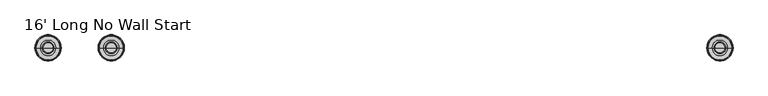
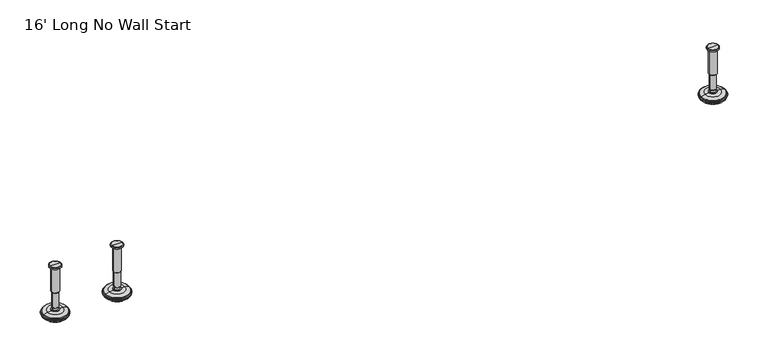
"""IFC4 building model written with IfcOpenShell, lengths in millimetres: furniture geometry, 16' Long No Wall Start."""

from ifc_helpers import new_model, si_unit, frame, origin, place, context, project, spatial, polyline, circle_curve, source, transform, mapped, element, save
from ifc_brep_helpers import plane_surface, cylinder_surface, revolved_surface, advanced_brep


def furniture_16_long_no_wall_start_ca82f8eb(model_context):
    return source(origin(), model_context, "Body", "AdvancedBrep", [
        advanced_brep(
        [(3714.9364323, 0.0, 103.7082), (3723.9143537, 0.0, 103.7082), (3705.9585109, 0.0, 103.7082), (3729.0406722, 0.0, 2.1288943), (3714.9364323, 0.0, 2.1288943), (3700.8321924, 0.0, 2.1288943), (3733.918704, 0.0, 3.5276474), (3695.9541606, 0.0, 3.5276474), (3737.680619, 0.0, 6.8476056), (3692.1922456, 0.0, 6.8476056), (3738.7980686, 0.0, 9.6133905), (3691.074796, 0.0, 9.6133905), (3738.7980686, 0.0, 10.4147967), (3691.074796, 0.0, 10.4147967), (3737.9556654, 0.0, 11.9551348), (3691.9171992, 0.0, 11.9551348), (3736.8555228, 0.0, 12.9457077), (3693.0173418, 0.0, 12.9457077), (3729.5518276, 0.0, 14.8420946), (3700.321037, 0.0, 14.8420946), (3722.1336762, 0.0, 15.4910987), (3707.7391884, 0.0, 15.4910987), (3722.1336762, 0.0, 16.2854758), (3707.7391884, 0.0, 16.2854758), (3719.7368834, 0.0, 16.2854758), (3710.1359812, 0.0, 16.2854758), (3719.7368834, 0.0, 20.9180403), (3710.1359812, 0.0, 20.9180403), (3720.752736, 0.0, 21.9338929), (3709.1201286, 0.0, 21.9338929), (3720.752736, 0.0, 50.4138352), (3709.1201286, 0.0, 50.4138352), (3721.9762639, 0.0, 52.0375116), (3707.8966007, 0.0, 52.0375116), (3721.9762639, 0.0, 99.435423), (3707.8966007, 0.0, 99.435423), (3722.8573683, 0.0, 99.7561188), (3707.0154963, 0.0, 99.7561188), (3723.9063572, 0.0, 99.7561188), (3705.9665074, 0.0, 99.7561188), (3725.5713871, 0.0, 100.7174242), (3704.3014775, 0.0, 100.7174242), (3725.5713871, 0.0, 102.7125539), (3704.3014775, 0.0, 102.7125539)],
        [
            (0, 1),
            (1, 2, circle_curve(frame((3714.9364323, 0.0, 103.7082), z_axis=(0.0, 0.0, 1.0), x_axis=(-1.0, 0.0, 0.0)), 8.9779214)),
            (2, 0),
            (2, 1, circle_curve(frame((3714.9364323, 0.0, 103.7082), z_axis=(0.0, 0.0, 1.0), x_axis=(-1.0, 0.0, 0.0)), 8.9779214)),
            (3, 4),
            (4, 5),
            (5, 3, circle_curve(frame((3714.9364323, 0.0, 2.1288943), z_axis=(0.0, 0.0, -1.0), x_axis=(-1.0, 0.0, 0.0)), 14.1042399)),
            (3, 5, circle_curve(frame((3714.9364323, 0.0, 2.1288943), z_axis=(0.0, 0.0, -1.0), x_axis=(-1.0, 0.0, 0.0)), 14.1042399)),
            (6, 3),
            (5, 7),
            (7, 6, circle_curve(frame((3714.9364323, 0.0, 3.5276474), z_axis=(0.0, 0.0, -1.0), x_axis=(-1.0, 0.0, 0.0)), 18.9822717)),
            (6, 7, circle_curve(frame((3714.9364323, 0.0, 3.5276474), z_axis=(0.0, 0.0, -1.0), x_axis=(-1.0, 0.0, 0.0)), 18.9822717)),
            (8, 6),
            (7, 9),
            (9, 8, circle_curve(frame((3714.9364323, 0.0, 6.8476056), z_axis=(0.0, 0.0, -1.0), x_axis=(-1.0, 0.0, 0.0)), 22.7441867)),
            (8, 9, circle_curve(frame((3714.9364323, 0.0, 6.8476056), z_axis=(0.0, 0.0, -1.0), x_axis=(-1.0, 0.0, 0.0)), 22.7441867)),
            (10, 8),
            (9, 11),
            (11, 10, circle_curve(frame((3714.9364323, 0.0, 9.6133905), z_axis=(0.0, 0.0, -1.0), x_axis=(-1.0, 0.0, 0.0)), 23.8616363)),
            (10, 11, circle_curve(frame((3714.9364323, 0.0, 9.6133905), z_axis=(0.0, 0.0, -1.0), x_axis=(-1.0, 0.0, 0.0)), 23.8616363)),
            (12, 10),
            (11, 13),
            (13, 12, circle_curve(frame((3714.9364323, 0.0, 10.4147967), z_axis=(0.0, 0.0, -1.0), x_axis=(-1.0, 0.0, 0.0)), 23.8616363)),
            (12, 13, circle_curve(frame((3714.9364323, 0.0, 10.4147967), z_axis=(0.0, 0.0, -1.0), x_axis=(-1.0, 0.0, 0.0)), 23.8616363)),
            (14, 12),
            (13, 15),
            (15, 14, circle_curve(frame((3714.9364323, 0.0, 11.9551348), z_axis=(0.0, 0.0, -1.0), x_axis=(-1.0, 0.0, 0.0)), 23.0192331)),
            (14, 15, circle_curve(frame((3714.9364323, 0.0, 11.9551348), z_axis=(0.0, 0.0, -1.0), x_axis=(-1.0, 0.0, 0.0)), 23.0192331)),
            (16, 14),
            (15, 17),
            (17, 16, circle_curve(frame((3714.9364323, 0.0, 12.9457077), z_axis=(0.0, 0.0, -1.0), x_axis=(-1.0, 0.0, 0.0)), 21.9190905)),
            (16, 17, circle_curve(frame((3714.9364323, 0.0, 12.9457077), z_axis=(0.0, 0.0, -1.0), x_axis=(-1.0, 0.0, 0.0)), 21.9190905)),
            (18, 16),
            (17, 19),
            (19, 18, circle_curve(frame((3714.9364323, 0.0, 14.8420946), z_axis=(0.0, 0.0, -1.0), x_axis=(-1.0, 0.0, 0.0)), 14.6153953)),
            (18, 19, circle_curve(frame((3714.9364323, 0.0, 14.8420946), z_axis=(0.0, 0.0, -1.0), x_axis=(-1.0, 0.0, 0.0)), 14.6153953)),
            (20, 18),
            (19, 21),
            (21, 20, circle_curve(frame((3714.9364323, 0.0, 15.4910987), z_axis=(0.0, 0.0, -1.0), x_axis=(-1.0, 0.0, 0.0)), 7.1972439)),
            (20, 21, circle_curve(frame((3714.9364323, 0.0, 15.4910987), z_axis=(0.0, 0.0, -1.0), x_axis=(-1.0, 0.0, 0.0)), 7.1972439)),
            (22, 20),
            (21, 23),
            (23, 22, circle_curve(frame((3714.9364323, 0.0, 16.2854758), z_axis=(0.0, 0.0, -1.0), x_axis=(-1.0, 0.0, 0.0)), 7.1972439)),
            (22, 23, circle_curve(frame((3714.9364323, 0.0, 16.2854758), z_axis=(0.0, 0.0, -1.0), x_axis=(-1.0, 0.0, 0.0)), 7.1972439)),
            (24, 22),
            (23, 25),
            (25, 24, circle_curve(frame((3714.9364323, 0.0, 16.2854758), z_axis=(0.0, 0.0, -1.0), x_axis=(-1.0, 0.0, 0.0)), 4.8004511)),
            (24, 25, circle_curve(frame((3714.9364323, 0.0, 16.2854758), z_axis=(0.0, 0.0, -1.0), x_axis=(-1.0, 0.0, 0.0)), 4.8004511)),
            (26, 24),
            (25, 27),
            (27, 26, circle_curve(frame((3714.9364323, 0.0, 20.9180403), z_axis=(0.0, 0.0, -1.0), x_axis=(-1.0, 0.0, 0.0)), 4.8004511)),
            (26, 27, circle_curve(frame((3714.9364323, 0.0, 20.9180403), z_axis=(0.0, 0.0, -1.0), x_axis=(-1.0, 0.0, 0.0)), 4.8004511)),
            (28, 26),
            (27, 29),
            (29, 28, circle_curve(frame((3714.9364323, 0.0, 21.9338929), z_axis=(0.0, 0.0, -1.0), x_axis=(-1.0, 0.0, 0.0)), 5.8163037)),
            (28, 29, circle_curve(frame((3714.9364323, 0.0, 21.9338929), z_axis=(0.0, 0.0, -1.0), x_axis=(-1.0, 0.0, 0.0)), 5.8163037)),
            (30, 28),
            (29, 31),
            (31, 30, circle_curve(frame((3714.9364323, 0.0, 50.4138352), z_axis=(0.0, 0.0, -1.0), x_axis=(-1.0, 0.0, 0.0)), 5.8163037)),
            (30, 31, circle_curve(frame((3714.9364323, 0.0, 50.4138352), z_axis=(0.0, 0.0, -1.0), x_axis=(-1.0, 0.0, 0.0)), 5.8163037)),
            (32, 30),
            (31, 33),
            (33, 32, circle_curve(frame((3714.9364323, 0.0, 52.0375116), z_axis=(0.0, 0.0, -1.0), x_axis=(-1.0, 0.0, 0.0)), 7.0398316)),
            (32, 33, circle_curve(frame((3714.9364323, 0.0, 52.0375116), z_axis=(0.0, 0.0, -1.0), x_axis=(-1.0, 0.0, 0.0)), 7.0398316)),
            (34, 32),
            (33, 35),
            (35, 34, circle_curve(frame((3714.9364323, 0.0, 99.435423), z_axis=(0.0, 0.0, -1.0), x_axis=(-1.0, 0.0, 0.0)), 7.0398316)),
            (34, 35, circle_curve(frame((3714.9364323, 0.0, 99.435423), z_axis=(0.0, 0.0, -1.0), x_axis=(-1.0, 0.0, 0.0)), 7.0398316)),
            (36, 34),
            (35, 37),
            (37, 36, circle_curve(frame((3714.9364323, 0.0, 99.7561188), z_axis=(0.0, 0.0, -1.0), x_axis=(-1.0, 0.0, 0.0)), 7.920936)),
            (36, 37, circle_curve(frame((3714.9364323, 0.0, 99.7561188), z_axis=(0.0, 0.0, -1.0), x_axis=(-1.0, 0.0, 0.0)), 7.920936)),
            (38, 36),
            (37, 39),
            (39, 38, circle_curve(frame((3714.9364323, 0.0, 99.7561188), z_axis=(0.0, 0.0, -1.0), x_axis=(-1.0, 0.0, 0.0)), 8.9699249)),
            (38, 39, circle_curve(frame((3714.9364323, 0.0, 99.7561188), z_axis=(0.0, 0.0, -1.0), x_axis=(-1.0, 0.0, 0.0)), 8.9699249)),
            (40, 38),
            (39, 41),
            (41, 40, circle_curve(frame((3714.9364323, 0.0, 100.7174242), z_axis=(0.0, 0.0, -1.0), x_axis=(-1.0, 0.0, 0.0)), 10.6349548)),
            (40, 41, circle_curve(frame((3714.9364323, 0.0, 100.7174242), z_axis=(0.0, 0.0, -1.0), x_axis=(-1.0, 0.0, 0.0)), 10.6349548)),
            (42, 40),
            (41, 43),
            (43, 42, circle_curve(frame((3714.9364323, 0.0, 102.7125539), z_axis=(0.0, 0.0, -1.0), x_axis=(-1.0, 0.0, 0.0)), 10.6349548)),
            (42, 43, circle_curve(frame((3714.9364323, 0.0, 102.7125539), z_axis=(0.0, 0.0, -1.0), x_axis=(-1.0, 0.0, 0.0)), 10.6349548)),
            (1, 42),
            (43, 2),
        ],
        [
            plane_surface(frame((3714.9364323, 0.0, 103.7082), z_axis=(0.0, 0.0, 1.0), x_axis=(-1.0, 0.0, 0.0))),
            plane_surface(frame((3714.9364323, 0.0, 2.1288943), z_axis=(0.0, 0.0, -1.0), x_axis=(-1.0, 0.0, 0.0))),
            revolved_surface(polyline([(3700.8321924, 0.0, 2.1288943), (3695.9541606, 0.0, 3.5276474)]), (3714.9364323, 0.0, 103.7082), (0.0, 0.0, 1.0)),
            revolved_surface(polyline([(3695.9541606, 0.0, 3.5276474), (3692.1922456, 0.0, 6.8476056)]), (3714.9364323, 0.0, 103.7082), (0.0, 0.0, 1.0)),
            revolved_surface(polyline([(3692.1922456, 0.0, 6.8476056), (3691.074796, 0.0, 9.6133905)]), (3714.9364323, 0.0, 103.7082), (0.0, 0.0, 1.0)),
            cylinder_surface(frame((3714.9364323, 0.0, 103.7082), z_axis=(0.0, 0.0, 1.0), x_axis=(-1.0, 0.0, 0.0)), 23.8616363),
            revolved_surface(polyline([(3691.074796, 0.0, 10.4147967), (3691.9171992, 0.0, 11.9551348)]), (3714.9364323, 0.0, 103.7082), (0.0, 0.0, 1.0)),
            revolved_surface(polyline([(3691.9171992, 0.0, 11.9551348), (3693.0173418, 0.0, 12.9457077)]), (3714.9364323, 0.0, 103.7082), (0.0, 0.0, 1.0)),
            revolved_surface(polyline([(3693.0173418, 0.0, 12.9457077), (3700.321037, 0.0, 14.8420946)]), (3714.9364323, 0.0, 103.7082), (0.0, 0.0, 1.0)),
            revolved_surface(polyline([(3700.321037, 0.0, 14.8420946), (3707.7391884, 0.0, 15.4910987)]), (3714.9364323, 0.0, 103.7082), (0.0, 0.0, 1.0)),
            cylinder_surface(frame((3714.9364323, 0.0, 103.7082), z_axis=(0.0, 0.0, 1.0), x_axis=(-1.0, 0.0, 0.0)), 7.1972439),
            plane_surface(frame((3714.9364323, 0.0, 16.2854758), z_axis=(0.0, 0.0, 1.0), x_axis=(-1.0, 0.0, 0.0))),
            cylinder_surface(frame((3714.9364323, 0.0, 103.7082), z_axis=(0.0, 0.0, 1.0), x_axis=(-1.0, 0.0, 0.0)), 4.8004511),
            revolved_surface(polyline([(3710.1359812, 0.0, 20.9180403), (3709.1201286, 0.0, 21.9338929)]), (3714.9364323, 0.0, 103.7082), (0.0, 0.0, 1.0)),
            cylinder_surface(frame((3714.9364323, 0.0, 103.7082), z_axis=(0.0, 0.0, 1.0), x_axis=(-1.0, 0.0, 0.0)), 5.8163037),
            revolved_surface(polyline([(3709.1201286, 0.0, 50.4138352), (3707.8966007, 0.0, 52.0375116)]), (3714.9364323, 0.0, 103.7082), (0.0, 0.0, 1.0)),
            cylinder_surface(frame((3714.9364323, 0.0, 103.7082), z_axis=(0.0, 0.0, 1.0), x_axis=(-1.0, 0.0, 0.0)), 7.0398316),
            revolved_surface(polyline([(3707.8966007, 0.0, 99.435423), (3707.0154963, 0.0, 99.7561188)]), (3714.9364323, 0.0, 103.7082), (0.0, 0.0, 1.0)),
            plane_surface(frame((3714.9364323, 0.0, 99.7561188), z_axis=(0.0, 0.0, -1.0), x_axis=(-1.0, 0.0, 0.0))),
            revolved_surface(polyline([(3705.9665074, 0.0, 99.7561188), (3704.3014775, 0.0, 100.7174242)]), (3714.9364323, 0.0, 103.7082), (0.0, 0.0, 1.0)),
            cylinder_surface(frame((3714.9364323, 0.0, 103.7082), z_axis=(0.0, 0.0, 1.0), x_axis=(-1.0, 0.0, 0.0)), 10.6349548),
            revolved_surface(polyline([(3704.3014775, 0.0, 102.7125539), (3705.9585109, 0.0, 103.7082)]), (3714.9364323, 0.0, 103.7082), (0.0, 0.0, 1.0)),
        ],
        [
            (0, [[1, 2, 3]]),
            (0, [[-3, 4, -1]]),
            (1, [[5, 6, 7]]),
            (1, [[-6, -5, 8]]),
            (2, [[9, -7, 10, 11]]),
            (2, [[-10, -8, -9, 12]]),
            (3, [[13, -11, 14, 15]]),
            (3, [[-14, -12, -13, 16]]),
            (4, [[17, -15, 18, 19]]),
            (4, [[-18, -16, -17, 20]]),
            (5, [[21, -19, 22, 23]]),
            (5, [[-22, -20, -21, 24]]),
            (6, [[25, -23, 26, 27]]),
            (6, [[-26, -24, -25, 28]]),
            (7, [[29, -27, 30, 31]]),
            (7, [[-30, -28, -29, 32]]),
            (8, [[33, -31, 34, 35]]),
            (8, [[-34, -32, -33, 36]]),
            (9, [[37, -35, 38, 39]]),
            (9, [[-38, -36, -37, 40]]),
            (10, [[41, -39, 42, 43]]),
            (10, [[-42, -40, -41, 44]]),
            (11, [[45, -43, 46, 47]]),
            (11, [[-46, -44, -45, 48]]),
            (12, [[49, -47, 50, 51]]),
            (12, [[-50, -48, -49, 52]]),
            (13, [[53, -51, 54, 55]]),
            (13, [[-54, -52, -53, 56]]),
            (14, [[57, -55, 58, 59]]),
            (14, [[-58, -56, -57, 60]]),
            (15, [[61, -59, 62, 63]]),
            (15, [[-62, -60, -61, 64]]),
            (16, [[65, -63, 66, 67]]),
            (16, [[-66, -64, -65, 68]]),
            (17, [[69, -67, 70, 71]]),
            (17, [[-70, -68, -69, 72]]),
            (18, [[73, -71, 74, 75]]),
            (18, [[-74, -72, -73, 76]]),
            (19, [[77, -75, 78, 79]]),
            (19, [[-78, -76, -77, 80]]),
            (20, [[81, -79, 82, 83]]),
            (20, [[-82, -80, -81, 84]]),
            (21, [[85, -83, 86, -2]]),
            (21, [[-86, -84, -85, -4]]),
        ],
    ),
        advanced_brep(
        [(3600.2635677, 0.0, 103.7082), (3609.2414891, 0.0, 103.7082), (3591.2856463, 0.0, 103.7082), (3586.1593278, 0.0, 2.1288943), (3614.3678076, 0.0, 2.1288943), (3600.2635677, 0.0, 2.1288943), (3581.281296, 0.0, 3.5276474), (3619.2458394, 0.0, 3.5276474), (3577.519381, 0.0, 6.8476056), (3623.0077544, 0.0, 6.8476056), (3576.4019314, 0.0, 9.6133905), (3624.125204, 0.0, 9.6133905), (3576.4019314, 0.0, 10.4147967), (3624.125204, 0.0, 10.4147967), (3577.2443346, 0.0, 11.9551348), (3623.2828008, 0.0, 11.9551348), (3578.3444772, 0.0, 12.9457077), (3622.1826582, 0.0, 12.9457077), (3585.6481724, 0.0, 14.8420946), (3614.878963, 0.0, 14.8420946), (3593.0663238, 0.0, 15.4910987), (3607.4608116, 0.0, 15.4910987), (3593.0663238, 0.0, 16.2854758), (3607.4608116, 0.0, 16.2854758), (3595.4631166, 0.0, 16.2854758), (3605.0640188, 0.0, 16.2854758), (3595.4631166, 0.0, 20.9180403), (3605.0640188, 0.0, 20.9180403), (3594.447264, 0.0, 21.9338929), (3606.0798714, 0.0, 21.9338929), (3594.447264, 0.0, 50.4138352), (3606.0798714, 0.0, 50.4138352), (3593.2237361, 0.0, 52.0375116), (3607.3033993, 0.0, 52.0375116), (3593.2237361, 0.0, 99.435423), (3607.3033993, 0.0, 99.435423), (3592.3426317, 0.0, 99.7561188), (3608.1845037, 0.0, 99.7561188), (3591.2936428, 0.0, 99.7561188), (3609.2334926, 0.0, 99.7561188), (3589.6286129, 0.0, 100.7174242), (3610.8985225, 0.0, 100.7174242), (3589.6286129, 0.0, 102.7125539), (3610.8985225, 0.0, 102.7125539)],
        [
            (0, 1),
            (1, 2, circle_curve(frame((3600.2635677, 0.0, 103.7082), z_axis=(0.0, 0.0, 1.0), x_axis=(1.0, 0.0, 0.0)), 8.9779214)),
            (2, 0),
            (2, 1, circle_curve(frame((3600.2635677, 0.0, 103.7082), z_axis=(0.0, 0.0, 1.0), x_axis=(1.0, 0.0, 0.0)), 8.9779214)),
            (3, 4, circle_curve(frame((3600.2635677, 0.0, 2.1288943), z_axis=(0.0, 0.0, -1.0), x_axis=(1.0, 0.0, 0.0)), 14.1042399)),
            (4, 5),
            (5, 3),
            (4, 3, circle_curve(frame((3600.2635677, 0.0, 2.1288943), z_axis=(0.0, 0.0, -1.0), x_axis=(1.0, 0.0, 0.0)), 14.1042399)),
            (6, 7, circle_curve(frame((3600.2635677, 0.0, 3.5276474), z_axis=(0.0, 0.0, -1.0), x_axis=(1.0, 0.0, 0.0)), 18.9822717)),
            (7, 4),
            (3, 6),
            (7, 6, circle_curve(frame((3600.2635677, 0.0, 3.5276474), z_axis=(0.0, 0.0, -1.0), x_axis=(1.0, 0.0, 0.0)), 18.9822717)),
            (8, 9, circle_curve(frame((3600.2635677, 0.0, 6.8476056), z_axis=(0.0, 0.0, -1.0), x_axis=(1.0, 0.0, 0.0)), 22.7441867)),
            (9, 7),
            (6, 8),
            (9, 8, circle_curve(frame((3600.2635677, 0.0, 6.8476056), z_axis=(0.0, 0.0, -1.0), x_axis=(1.0, 0.0, 0.0)), 22.7441867)),
            (10, 11, circle_curve(frame((3600.2635677, 0.0, 9.6133905), z_axis=(0.0, 0.0, -1.0), x_axis=(1.0, 0.0, 0.0)), 23.8616363)),
            (11, 9),
            (8, 10),
            (11, 10, circle_curve(frame((3600.2635677, 0.0, 9.6133905), z_axis=(0.0, 0.0, -1.0), x_axis=(1.0, 0.0, 0.0)), 23.8616363)),
            (12, 13, circle_curve(frame((3600.2635677, 0.0, 10.4147967), z_axis=(0.0, 0.0, -1.0), x_axis=(1.0, 0.0, 0.0)), 23.8616363)),
            (13, 11),
            (10, 12),
            (13, 12, circle_curve(frame((3600.2635677, 0.0, 10.4147967), z_axis=(0.0, 0.0, -1.0), x_axis=(1.0, 0.0, 0.0)), 23.8616363)),
            (14, 15, circle_curve(frame((3600.2635677, 0.0, 11.9551348), z_axis=(0.0, 0.0, -1.0), x_axis=(1.0, 0.0, 0.0)), 23.0192331)),
            (15, 13),
            (12, 14),
            (15, 14, circle_curve(frame((3600.2635677, 0.0, 11.9551348), z_axis=(0.0, 0.0, -1.0), x_axis=(1.0, 0.0, 0.0)), 23.0192331)),
            (16, 17, circle_curve(frame((3600.2635677, 0.0, 12.9457077), z_axis=(0.0, 0.0, -1.0), x_axis=(1.0, 0.0, 0.0)), 21.9190905)),
            (17, 15),
            (14, 16),
            (17, 16, circle_curve(frame((3600.2635677, 0.0, 12.9457077), z_axis=(0.0, 0.0, -1.0), x_axis=(1.0, 0.0, 0.0)), 21.9190905)),
            (18, 19, circle_curve(frame((3600.2635677, 0.0, 14.8420946), z_axis=(0.0, 0.0, -1.0), x_axis=(1.0, 0.0, 0.0)), 14.6153953)),
            (19, 17),
            (16, 18),
            (19, 18, circle_curve(frame((3600.2635677, 0.0, 14.8420946), z_axis=(0.0, 0.0, -1.0), x_axis=(1.0, 0.0, 0.0)), 14.6153953)),
            (20, 21, circle_curve(frame((3600.2635677, 0.0, 15.4910987), z_axis=(0.0, 0.0, -1.0), x_axis=(1.0, 0.0, 0.0)), 7.1972439)),
            (21, 19),
            (18, 20),
            (21, 20, circle_curve(frame((3600.2635677, 0.0, 15.4910987), z_axis=(0.0, 0.0, -1.0), x_axis=(1.0, 0.0, 0.0)), 7.1972439)),
            (22, 23, circle_curve(frame((3600.2635677, 0.0, 16.2854758), z_axis=(0.0, 0.0, -1.0), x_axis=(1.0, 0.0, 0.0)), 7.1972439)),
            (23, 21),
            (20, 22),
            (23, 22, circle_curve(frame((3600.2635677, 0.0, 16.2854758), z_axis=(0.0, 0.0, -1.0), x_axis=(1.0, 0.0, 0.0)), 7.1972439)),
            (24, 25, circle_curve(frame((3600.2635677, 0.0, 16.2854758), z_axis=(0.0, 0.0, -1.0), x_axis=(1.0, 0.0, 0.0)), 4.8004511)),
            (25, 23),
            (22, 24),
            (25, 24, circle_curve(frame((3600.2635677, 0.0, 16.2854758), z_axis=(0.0, 0.0, -1.0), x_axis=(1.0, 0.0, 0.0)), 4.8004511)),
            (26, 27, circle_curve(frame((3600.2635677, 0.0, 20.9180403), z_axis=(0.0, 0.0, -1.0), x_axis=(1.0, 0.0, 0.0)), 4.8004511)),
            (27, 25),
            (24, 26),
            (27, 26, circle_curve(frame((3600.2635677, 0.0, 20.9180403), z_axis=(0.0, 0.0, -1.0), x_axis=(1.0, 0.0, 0.0)), 4.8004511)),
            (28, 29, circle_curve(frame((3600.2635677, 0.0, 21.9338929), z_axis=(0.0, 0.0, -1.0), x_axis=(1.0, 0.0, 0.0)), 5.8163037)),
            (29, 27),
            (26, 28),
            (29, 28, circle_curve(frame((3600.2635677, 0.0, 21.9338929), z_axis=(0.0, 0.0, -1.0), x_axis=(1.0, 0.0, 0.0)), 5.8163037)),
            (30, 31, circle_curve(frame((3600.2635677, 0.0, 50.4138352), z_axis=(0.0, 0.0, -1.0), x_axis=(1.0, 0.0, 0.0)), 5.8163037)),
            (31, 29),
            (28, 30),
            (31, 30, circle_curve(frame((3600.2635677, 0.0, 50.4138352), z_axis=(0.0, 0.0, -1.0), x_axis=(1.0, 0.0, 0.0)), 5.8163037)),
            (32, 33, circle_curve(frame((3600.2635677, 0.0, 52.0375116), z_axis=(0.0, 0.0, -1.0), x_axis=(1.0, 0.0, 0.0)), 7.0398316)),
            (33, 31),
            (30, 32),
            (33, 32, circle_curve(frame((3600.2635677, 0.0, 52.0375116), z_axis=(0.0, 0.0, -1.0), x_axis=(1.0, 0.0, 0.0)), 7.0398316)),
            (34, 35, circle_curve(frame((3600.2635677, 0.0, 99.435423), z_axis=(0.0, 0.0, -1.0), x_axis=(1.0, 0.0, 0.0)), 7.0398316)),
            (35, 33),
            (32, 34),
            (35, 34, circle_curve(frame((3600.2635677, 0.0, 99.435423), z_axis=(0.0, 0.0, -1.0), x_axis=(1.0, 0.0, 0.0)), 7.0398316)),
            (36, 37, circle_curve(frame((3600.2635677, 0.0, 99.7561188), z_axis=(0.0, 0.0, -1.0), x_axis=(1.0, 0.0, 0.0)), 7.920936)),
            (37, 35),
            (34, 36),
            (37, 36, circle_curve(frame((3600.2635677, 0.0, 99.7561188), z_axis=(0.0, 0.0, -1.0), x_axis=(1.0, 0.0, 0.0)), 7.920936)),
            (38, 39, circle_curve(frame((3600.2635677, 0.0, 99.7561188), z_axis=(0.0, 0.0, -1.0), x_axis=(1.0, 0.0, 0.0)), 8.9699249)),
            (39, 37),
            (36, 38),
            (39, 38, circle_curve(frame((3600.2635677, 0.0, 99.7561188), z_axis=(0.0, 0.0, -1.0), x_axis=(1.0, 0.0, 0.0)), 8.9699249)),
            (40, 41, circle_curve(frame((3600.2635677, 0.0, 100.7174242), z_axis=(0.0, 0.0, -1.0), x_axis=(1.0, 0.0, 0.0)), 10.6349548)),
            (41, 39),
            (38, 40),
            (41, 40, circle_curve(frame((3600.2635677, 0.0, 100.7174242), z_axis=(0.0, 0.0, -1.0), x_axis=(1.0, 0.0, 0.0)), 10.6349548)),
            (42, 43, circle_curve(frame((3600.2635677, 0.0, 102.7125539), z_axis=(0.0, 0.0, -1.0), x_axis=(1.0, 0.0, 0.0)), 10.6349548)),
            (43, 41),
            (40, 42),
            (43, 42, circle_curve(frame((3600.2635677, 0.0, 102.7125539), z_axis=(0.0, 0.0, -1.0), x_axis=(1.0, 0.0, 0.0)), 10.6349548)),
            (1, 43),
            (42, 2),
        ],
        [
            plane_surface(frame((3600.2635677, 0.0, 103.7082), z_axis=(0.0, 0.0, 1.0), x_axis=(1.0, 0.0, 0.0))),
            plane_surface(frame((3600.2635677, 0.0, 2.1288943), z_axis=(0.0, 0.0, -1.0), x_axis=(1.0, 0.0, 0.0))),
            revolved_surface(polyline([(3614.3678076, 0.0, 2.1288943), (3619.2458394, 0.0, 3.5276474)]), (3600.2635677, 0.0, 103.7082), (0.0, 0.0, 1.0)),
            revolved_surface(polyline([(3619.2458394, 0.0, 3.5276474), (3623.0077544, 0.0, 6.8476056)]), (3600.2635677, 0.0, 103.7082), (0.0, 0.0, 1.0)),
            revolved_surface(polyline([(3623.0077544, 0.0, 6.8476056), (3624.125204, 0.0, 9.6133905)]), (3600.2635677, 0.0, 103.7082), (0.0, 0.0, 1.0)),
            cylinder_surface(frame((3600.2635677, 0.0, 103.7082), z_axis=(0.0, 0.0, 1.0), x_axis=(1.0, 0.0, 0.0)), 23.8616363),
            revolved_surface(polyline([(3624.125204, 0.0, 10.4147967), (3623.2828008, 0.0, 11.9551348)]), (3600.2635677, 0.0, 103.7082), (0.0, 0.0, 1.0)),
            revolved_surface(polyline([(3623.2828008, 0.0, 11.9551348), (3622.1826582, 0.0, 12.9457077)]), (3600.2635677, 0.0, 103.7082), (0.0, 0.0, 1.0)),
            revolved_surface(polyline([(3622.1826582, 0.0, 12.9457077), (3614.878963, 0.0, 14.8420946)]), (3600.2635677, 0.0, 103.7082), (0.0, 0.0, 1.0)),
            revolved_surface(polyline([(3614.878963, 0.0, 14.8420946), (3607.4608116, 0.0, 15.4910987)]), (3600.2635677, 0.0, 103.7082), (0.0, 0.0, 1.0)),
            cylinder_surface(frame((3600.2635677, 0.0, 103.7082), z_axis=(0.0, 0.0, 1.0), x_axis=(1.0, 0.0, 0.0)), 7.1972439),
            plane_surface(frame((3600.2635677, 0.0, 16.2854758), z_axis=(0.0, 0.0, 1.0), x_axis=(1.0, 0.0, 0.0))),
            cylinder_surface(frame((3600.2635677, 0.0, 103.7082), z_axis=(0.0, 0.0, 1.0), x_axis=(1.0, 0.0, 0.0)), 4.8004511),
            revolved_surface(polyline([(3605.0640188, 0.0, 20.9180403), (3606.0798714, 0.0, 21.9338929)]), (3600.2635677, 0.0, 103.7082), (0.0, 0.0, 1.0)),
            cylinder_surface(frame((3600.2635677, 0.0, 103.7082), z_axis=(0.0, 0.0, 1.0), x_axis=(1.0, 0.0, 0.0)), 5.8163037),
            revolved_surface(polyline([(3606.0798714, 0.0, 50.4138352), (3607.3033993, 0.0, 52.0375116)]), (3600.2635677, 0.0, 103.7082), (0.0, 0.0, 1.0)),
            cylinder_surface(frame((3600.2635677, 0.0, 103.7082), z_axis=(0.0, 0.0, 1.0), x_axis=(1.0, 0.0, 0.0)), 7.0398316),
            revolved_surface(polyline([(3607.3033993, 0.0, 99.435423), (3608.1845037, 0.0, 99.7561188)]), (3600.2635677, 0.0, 103.7082), (0.0, 0.0, 1.0)),
            plane_surface(frame((3600.2635677, 0.0, 99.7561188), z_axis=(0.0, 0.0, -1.0), x_axis=(1.0, 0.0, 0.0))),
            revolved_surface(polyline([(3609.2334926, 0.0, 99.7561188), (3610.8985225, 0.0, 100.7174242)]), (3600.2635677, 0.0, 103.7082), (0.0, 0.0, 1.0)),
            cylinder_surface(frame((3600.2635677, 0.0, 103.7082), z_axis=(0.0, 0.0, 1.0), x_axis=(1.0, 0.0, 0.0)), 10.6349548),
            revolved_surface(polyline([(3610.8985225, 0.0, 102.7125539), (3609.2414891, 0.0, 103.7082)]), (3600.2635677, 0.0, 103.7082), (0.0, 0.0, 1.0)),
        ],
        [
            (0, [[1, 2, 3]]),
            (0, [[-3, 4, -1]]),
            (1, [[5, 6, 7]]),
            (1, [[8, -7, -6]]),
            (2, [[9, 10, -5, 11]]),
            (2, [[12, -11, -8, -10]]),
            (3, [[13, 14, -9, 15]]),
            (3, [[16, -15, -12, -14]]),
            (4, [[17, 18, -13, 19]]),
            (4, [[20, -19, -16, -18]]),
            (5, [[21, 22, -17, 23]]),
            (5, [[24, -23, -20, -22]]),
            (6, [[25, 26, -21, 27]]),
            (6, [[28, -27, -24, -26]]),
            (7, [[29, 30, -25, 31]]),
            (7, [[32, -31, -28, -30]]),
            (8, [[33, 34, -29, 35]]),
            (8, [[36, -35, -32, -34]]),
            (9, [[37, 38, -33, 39]]),
            (9, [[40, -39, -36, -38]]),
            (10, [[41, 42, -37, 43]]),
            (10, [[44, -43, -40, -42]]),
            (11, [[45, 46, -41, 47]]),
            (11, [[48, -47, -44, -46]]),
            (12, [[49, 50, -45, 51]]),
            (12, [[52, -51, -48, -50]]),
            (13, [[53, 54, -49, 55]]),
            (13, [[56, -55, -52, -54]]),
            (14, [[57, 58, -53, 59]]),
            (14, [[60, -59, -56, -58]]),
            (15, [[61, 62, -57, 63]]),
            (15, [[64, -63, -60, -62]]),
            (16, [[65, 66, -61, 67]]),
            (16, [[68, -67, -64, -66]]),
            (17, [[69, 70, -65, 71]]),
            (17, [[72, -71, -68, -70]]),
            (18, [[73, 74, -69, 75]]),
            (18, [[76, -75, -72, -74]]),
            (19, [[77, 78, -73, 79]]),
            (19, [[80, -79, -76, -78]]),
            (20, [[81, 82, -77, 83]]),
            (20, [[84, -83, -80, -82]]),
            (21, [[-2, 85, -81, 86]]),
            (21, [[-4, -86, -84, -85]]),
        ],
    ),
        advanced_brep(
        [(4819.7372135, 0.0, 103.7082), (4828.715135, 0.0, 103.7082), (4810.7592921, 0.0, 103.7082), (4833.8414535, 0.0, 2.1288943), (4819.7372135, 0.0, 2.1288943), (4805.6329736, 0.0, 2.1288943), (4838.7194852, 0.0, 3.5276474), (4800.7549419, 0.0, 3.5276474), (4842.4814003, 0.0, 6.8476056), (4796.9930268, 0.0, 6.8476056), (4843.5988499, 0.0, 9.6133905), (4795.8755772, 0.0, 9.6133905), (4843.5988499, 0.0, 10.4147967), (4795.8755772, 0.0, 10.4147967), (4842.7564467, 0.0, 11.9551348), (4796.7179804, 0.0, 11.9551348), (4841.656304, 0.0, 12.9457077), (4797.8181231, 0.0, 12.9457077), (4834.3526088, 0.0, 14.8420946), (4805.1218183, 0.0, 14.8420946), (4826.9344574, 0.0, 15.4910987), (4812.5399696, 0.0, 15.4910987), (4826.9344574, 0.0, 16.2854758), (4812.5399696, 0.0, 16.2854758), (4824.5376646, 0.0, 16.2854758), (4814.9367625, 0.0, 16.2854758), (4824.5376646, 0.0, 20.9180403), (4814.9367625, 0.0, 20.9180403), (4825.5535173, 0.0, 21.9338929), (4813.9209098, 0.0, 21.9338929), (4825.5535173, 0.0, 50.4138352), (4813.9209098, 0.0, 50.4138352), (4826.7770452, 0.0, 52.0375116), (4812.6973819, 0.0, 52.0375116), (4826.7770452, 0.0, 99.435423), (4812.6973819, 0.0, 99.435423), (4827.6581495, 0.0, 99.7561188), (4811.8162776, 0.0, 99.7561188), (4828.7071385, 0.0, 99.7561188), (4810.7672886, 0.0, 99.7561188), (4830.3721684, 0.0, 100.7174242), (4809.1022587, 0.0, 100.7174242), (4830.3721684, 0.0, 102.7125539), (4809.1022587, 0.0, 102.7125539)],
        [
            (0, 1),
            (1, 2, circle_curve(frame((4819.7372135, 0.0, 103.7082), z_axis=(0.0, 0.0, 1.0), x_axis=(-1.0, 0.0, 0.0)), 8.9779214)),
            (2, 0),
            (2, 1, circle_curve(frame((4819.7372135, 0.0, 103.7082), z_axis=(0.0, 0.0, 1.0), x_axis=(-1.0, 0.0, 0.0)), 8.9779214)),
            (3, 4),
            (4, 5),
            (5, 3, circle_curve(frame((4819.7372135, 0.0, 2.1288943), z_axis=(0.0, 0.0, -1.0), x_axis=(-1.0, 0.0, 0.0)), 14.1042399)),
            (3, 5, circle_curve(frame((4819.7372135, 0.0, 2.1288943), z_axis=(0.0, 0.0, -1.0), x_axis=(-1.0, 0.0, 0.0)), 14.1042399)),
            (6, 3),
            (5, 7),
            (7, 6, circle_curve(frame((4819.7372135, 0.0, 3.5276474), z_axis=(0.0, 0.0, -1.0), x_axis=(-1.0, 0.0, 0.0)), 18.9822717)),
            (6, 7, circle_curve(frame((4819.7372135, 0.0, 3.5276474), z_axis=(0.0, 0.0, -1.0), x_axis=(-1.0, 0.0, 0.0)), 18.9822717)),
            (8, 6),
            (7, 9),
            (9, 8, circle_curve(frame((4819.7372135, 0.0, 6.8476056), z_axis=(0.0, 0.0, -1.0), x_axis=(-1.0, 0.0, 0.0)), 22.7441867)),
            (8, 9, circle_curve(frame((4819.7372135, 0.0, 6.8476056), z_axis=(0.0, 0.0, -1.0), x_axis=(-1.0, 0.0, 0.0)), 22.7441867)),
            (10, 8),
            (9, 11),
            (11, 10, circle_curve(frame((4819.7372135, 0.0, 9.6133905), z_axis=(0.0, 0.0, -1.0), x_axis=(-1.0, 0.0, 0.0)), 23.8616363)),
            (10, 11, circle_curve(frame((4819.7372135, 0.0, 9.6133905), z_axis=(0.0, 0.0, -1.0), x_axis=(-1.0, 0.0, 0.0)), 23.8616363)),
            (12, 10),
            (11, 13),
            (13, 12, circle_curve(frame((4819.7372135, 0.0, 10.4147967), z_axis=(0.0, 0.0, -1.0), x_axis=(-1.0, 0.0, 0.0)), 23.8616363)),
            (12, 13, circle_curve(frame((4819.7372135, 0.0, 10.4147967), z_axis=(0.0, 0.0, -1.0), x_axis=(-1.0, 0.0, 0.0)), 23.8616363)),
            (14, 12),
            (13, 15),
            (15, 14, circle_curve(frame((4819.7372135, 0.0, 11.9551348), z_axis=(0.0, 0.0, -1.0), x_axis=(-1.0, 0.0, 0.0)), 23.0192331)),
            (14, 15, circle_curve(frame((4819.7372135, 0.0, 11.9551348), z_axis=(0.0, 0.0, -1.0), x_axis=(-1.0, 0.0, 0.0)), 23.0192331)),
            (16, 14),
            (15, 17),
            (17, 16, circle_curve(frame((4819.7372135, 0.0, 12.9457077), z_axis=(0.0, 0.0, -1.0), x_axis=(-1.0, 0.0, 0.0)), 21.9190905)),
            (16, 17, circle_curve(frame((4819.7372135, 0.0, 12.9457077), z_axis=(0.0, 0.0, -1.0), x_axis=(-1.0, 0.0, 0.0)), 21.9190905)),
            (18, 16),
            (17, 19),
            (19, 18, circle_curve(frame((4819.7372135, 0.0, 14.8420946), z_axis=(0.0, 0.0, -1.0), x_axis=(-1.0, 0.0, 0.0)), 14.6153953)),
            (18, 19, circle_curve(frame((4819.7372135, 0.0, 14.8420946), z_axis=(0.0, 0.0, -1.0), x_axis=(-1.0, 0.0, 0.0)), 14.6153953)),
            (20, 18),
            (19, 21),
            (21, 20, circle_curve(frame((4819.7372135, 0.0, 15.4910987), z_axis=(0.0, 0.0, -1.0), x_axis=(-1.0, 0.0, 0.0)), 7.1972439)),
            (20, 21, circle_curve(frame((4819.7372135, 0.0, 15.4910987), z_axis=(0.0, 0.0, -1.0), x_axis=(-1.0, 0.0, 0.0)), 7.1972439)),
            (22, 20),
            (21, 23),
            (23, 22, circle_curve(frame((4819.7372135, 0.0, 16.2854758), z_axis=(0.0, 0.0, -1.0), x_axis=(-1.0, 0.0, 0.0)), 7.1972439)),
            (22, 23, circle_curve(frame((4819.7372135, 0.0, 16.2854758), z_axis=(0.0, 0.0, -1.0), x_axis=(-1.0, 0.0, 0.0)), 7.1972439)),
            (24, 22),
            (23, 25),
            (25, 24, circle_curve(frame((4819.7372135, 0.0, 16.2854758), z_axis=(0.0, 0.0, -1.0), x_axis=(-1.0, 0.0, 0.0)), 4.8004511)),
            (24, 25, circle_curve(frame((4819.7372135, 0.0, 16.2854758), z_axis=(0.0, 0.0, -1.0), x_axis=(-1.0, 0.0, 0.0)), 4.8004511)),
            (26, 24),
            (25, 27),
            (27, 26, circle_curve(frame((4819.7372135, 0.0, 20.9180403), z_axis=(0.0, 0.0, -1.0), x_axis=(-1.0, 0.0, 0.0)), 4.8004511)),
            (26, 27, circle_curve(frame((4819.7372135, 0.0, 20.9180403), z_axis=(0.0, 0.0, -1.0), x_axis=(-1.0, 0.0, 0.0)), 4.8004511)),
            (28, 26),
            (27, 29),
            (29, 28, circle_curve(frame((4819.7372135, 0.0, 21.9338929), z_axis=(0.0, 0.0, -1.0), x_axis=(-1.0, 0.0, 0.0)), 5.8163037)),
            (28, 29, circle_curve(frame((4819.7372135, 0.0, 21.9338929), z_axis=(0.0, 0.0, -1.0), x_axis=(-1.0, 0.0, 0.0)), 5.8163037)),
            (30, 28),
            (29, 31),
            (31, 30, circle_curve(frame((4819.7372135, 0.0, 50.4138352), z_axis=(0.0, 0.0, -1.0), x_axis=(-1.0, 0.0, 0.0)), 5.8163037)),
            (30, 31, circle_curve(frame((4819.7372135, 0.0, 50.4138352), z_axis=(0.0, 0.0, -1.0), x_axis=(-1.0, 0.0, 0.0)), 5.8163037)),
            (32, 30),
            (31, 33),
            (33, 32, circle_curve(frame((4819.7372135, 0.0, 52.0375116), z_axis=(0.0, 0.0, -1.0), x_axis=(-1.0, 0.0, 0.0)), 7.0398316)),
            (32, 33, circle_curve(frame((4819.7372135, 0.0, 52.0375116), z_axis=(0.0, 0.0, -1.0), x_axis=(-1.0, 0.0, 0.0)), 7.0398316)),
            (34, 32),
            (33, 35),
            (35, 34, circle_curve(frame((4819.7372135, 0.0, 99.435423), z_axis=(0.0, 0.0, -1.0), x_axis=(-1.0, 0.0, 0.0)), 7.0398316)),
            (34, 35, circle_curve(frame((4819.7372135, 0.0, 99.435423), z_axis=(0.0, 0.0, -1.0), x_axis=(-1.0, 0.0, 0.0)), 7.0398316)),
            (36, 34),
            (35, 37),
            (37, 36, circle_curve(frame((4819.7372135, 0.0, 99.7561188), z_axis=(0.0, 0.0, -1.0), x_axis=(-1.0, 0.0, 0.0)), 7.920936)),
            (36, 37, circle_curve(frame((4819.7372135, 0.0, 99.7561188), z_axis=(0.0, 0.0, -1.0), x_axis=(-1.0, 0.0, 0.0)), 7.920936)),
            (38, 36),
            (37, 39),
            (39, 38, circle_curve(frame((4819.7372135, 0.0, 99.7561188), z_axis=(0.0, 0.0, -1.0), x_axis=(-1.0, 0.0, 0.0)), 8.9699249)),
            (38, 39, circle_curve(frame((4819.7372135, 0.0, 99.7561188), z_axis=(0.0, 0.0, -1.0), x_axis=(-1.0, 0.0, 0.0)), 8.9699249)),
            (40, 38),
            (39, 41),
            (41, 40, circle_curve(frame((4819.7372135, 0.0, 100.7174242), z_axis=(0.0, 0.0, -1.0), x_axis=(-1.0, 0.0, 0.0)), 10.6349548)),
            (40, 41, circle_curve(frame((4819.7372135, 0.0, 100.7174242), z_axis=(0.0, 0.0, -1.0), x_axis=(-1.0, 0.0, 0.0)), 10.6349548)),
            (42, 40),
            (41, 43),
            (43, 42, circle_curve(frame((4819.7372135, 0.0, 102.7125539), z_axis=(0.0, 0.0, -1.0), x_axis=(-1.0, 0.0, 0.0)), 10.6349548)),
            (42, 43, circle_curve(frame((4819.7372135, 0.0, 102.7125539), z_axis=(0.0, 0.0, -1.0), x_axis=(-1.0, 0.0, 0.0)), 10.6349548)),
            (1, 42),
            (43, 2),
        ],
        [
            plane_surface(frame((4819.7372135, 0.0, 103.7082), z_axis=(0.0, 0.0, 1.0), x_axis=(-1.0, 0.0, 0.0))),
            plane_surface(frame((4819.7372135, 0.0, 2.1288943), z_axis=(0.0, 0.0, -1.0), x_axis=(-1.0, 0.0, 0.0))),
            revolved_surface(polyline([(4805.6329736, 0.0, 2.1288943), (4800.7549419, 0.0, 3.5276474)]), (4819.7372135, 0.0, 103.7082), (0.0, 0.0, 1.0)),
            revolved_surface(polyline([(4800.7549419, 0.0, 3.5276474), (4796.9930268, 0.0, 6.8476056)]), (4819.7372135, 0.0, 103.7082), (0.0, 0.0, 1.0)),
            revolved_surface(polyline([(4796.9930268, 0.0, 6.8476056), (4795.8755772, 0.0, 9.6133905)]), (4819.7372135, 0.0, 103.7082), (0.0, 0.0, 1.0)),
            cylinder_surface(frame((4819.7372135, 0.0, 103.7082), z_axis=(0.0, 0.0, 1.0), x_axis=(-1.0, 0.0, 0.0)), 23.8616363),
            revolved_surface(polyline([(4795.8755772, 0.0, 10.4147967), (4796.7179804, 0.0, 11.9551348)]), (4819.7372135, 0.0, 103.7082), (0.0, 0.0, 1.0)),
            revolved_surface(polyline([(4796.7179804, 0.0, 11.9551348), (4797.8181231, 0.0, 12.9457077)]), (4819.7372135, 0.0, 103.7082), (0.0, 0.0, 1.0)),
            revolved_surface(polyline([(4797.8181231, 0.0, 12.9457077), (4805.1218183, 0.0, 14.8420946)]), (4819.7372135, 0.0, 103.7082), (0.0, 0.0, 1.0)),
            revolved_surface(polyline([(4805.1218183, 0.0, 14.8420946), (4812.5399696, 0.0, 15.4910987)]), (4819.7372135, 0.0, 103.7082), (0.0, 0.0, 1.0)),
            cylinder_surface(frame((4819.7372135, 0.0, 103.7082), z_axis=(0.0, 0.0, 1.0), x_axis=(-1.0, 0.0, 0.0)), 7.1972439),
            plane_surface(frame((4819.7372135, 0.0, 16.2854758), z_axis=(0.0, 0.0, 1.0), x_axis=(-1.0, 0.0, 0.0))),
            cylinder_surface(frame((4819.7372135, 0.0, 103.7082), z_axis=(0.0, 0.0, 1.0), x_axis=(-1.0, 0.0, 0.0)), 4.8004511),
            revolved_surface(polyline([(4814.9367625, 0.0, 20.9180403), (4813.9209098, 0.0, 21.9338929)]), (4819.7372135, 0.0, 103.7082), (0.0, 0.0, 1.0)),
            cylinder_surface(frame((4819.7372135, 0.0, 103.7082), z_axis=(0.0, 0.0, 1.0), x_axis=(-1.0, 0.0, 0.0)), 5.8163037),
            revolved_surface(polyline([(4813.9209098, 0.0, 50.4138352), (4812.6973819, 0.0, 52.0375116)]), (4819.7372135, 0.0, 103.7082), (0.0, 0.0, 1.0)),
            cylinder_surface(frame((4819.7372135, 0.0, 103.7082), z_axis=(0.0, 0.0, 1.0), x_axis=(-1.0, 0.0, 0.0)), 7.0398316),
            revolved_surface(polyline([(4812.6973819, 0.0, 99.435423), (4811.8162776, 0.0, 99.7561188)]), (4819.7372135, 0.0, 103.7082), (0.0, 0.0, 1.0)),
            plane_surface(frame((4819.7372135, 0.0, 99.7561188), z_axis=(0.0, 0.0, -1.0), x_axis=(-1.0, 0.0, 0.0))),
            revolved_surface(polyline([(4810.7672886, 0.0, 99.7561188), (4809.1022587, 0.0, 100.7174242)]), (4819.7372135, 0.0, 103.7082), (0.0, 0.0, 1.0)),
            cylinder_surface(frame((4819.7372135, 0.0, 103.7082), z_axis=(0.0, 0.0, 1.0), x_axis=(-1.0, 0.0, 0.0)), 10.6349548),
            revolved_surface(polyline([(4809.1022587, 0.0, 102.7125539), (4810.7592921, 0.0, 103.7082)]), (4819.7372135, 0.0, 103.7082), (0.0, 0.0, 1.0)),
        ],
        [
            (0, [[1, 2, 3]]),
            (0, [[-3, 4, -1]]),
            (1, [[5, 6, 7]]),
            (1, [[-6, -5, 8]]),
            (2, [[9, -7, 10, 11]]),
            (2, [[-10, -8, -9, 12]]),
            (3, [[13, -11, 14, 15]]),
            (3, [[-14, -12, -13, 16]]),
            (4, [[17, -15, 18, 19]]),
            (4, [[-18, -16, -17, 20]]),
            (5, [[21, -19, 22, 23]]),
            (5, [[-22, -20, -21, 24]]),
            (6, [[25, -23, 26, 27]]),
            (6, [[-26, -24, -25, 28]]),
            (7, [[29, -27, 30, 31]]),
            (7, [[-30, -28, -29, 32]]),
            (8, [[33, -31, 34, 35]]),
            (8, [[-34, -32, -33, 36]]),
            (9, [[37, -35, 38, 39]]),
            (9, [[-38, -36, -37, 40]]),
            (10, [[41, -39, 42, 43]]),
            (10, [[-42, -40, -41, 44]]),
            (11, [[45, -43, 46, 47]]),
            (11, [[-46, -44, -45, 48]]),
            (12, [[49, -47, 50, 51]]),
            (12, [[-50, -48, -49, 52]]),
            (13, [[53, -51, 54, 55]]),
            (13, [[-54, -52, -53, 56]]),
            (14, [[57, -55, 58, 59]]),
            (14, [[-58, -56, -57, 60]]),
            (15, [[61, -59, 62, 63]]),
            (15, [[-62, -60, -61, 64]]),
            (16, [[65, -63, 66, 67]]),
            (16, [[-66, -64, -65, 68]]),
            (17, [[69, -67, 70, 71]]),
            (17, [[-70, -68, -69, 72]]),
            (18, [[73, -71, 74, 75]]),
            (18, [[-74, -72, -73, 76]]),
            (19, [[77, -75, 78, 79]]),
            (19, [[-78, -76, -77, 80]]),
            (20, [[81, -79, 82, 83]]),
            (20, [[-82, -80, -81, 84]]),
            (21, [[85, -83, 86, -2]]),
            (21, [[-86, -84, -85, -4]]),
        ],
    ),
    ])


if __name__ == "__main__":
    model = new_model("IFC4")
    model_context = context("Model", 3, world=origin())
    ifc_project = project(units=[si_unit("LENGTHUNIT", "METRE", prefix="MILLI")], contexts=[model_context])
    site = spatial("IfcSite", under=ifc_project)
    building = spatial("IfcBuilding", under=site)
    placement = place(None, origin())
    furniture_16_long_no_wall_start_shape = furniture_16_long_no_wall_start_ca82f8eb(model_context)
    element("IfcFurniture", 1, ObjectType="16' Long No Wall Start", at=placement, inside=building, context=model_context, shape_type="MappedRepresentation", body=[
        mapped(furniture_16_long_no_wall_start_shape, transform((0.0, 0.0, 0.0), x_axis=(1.0, 0.0, 0.0), y_axis=(0.0, 1.0, 0.0), z_axis=(0.0, 0.0, 1.0))),
    ])
    save(model, "model.ifc")
